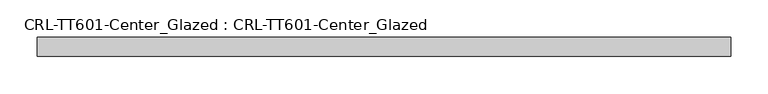
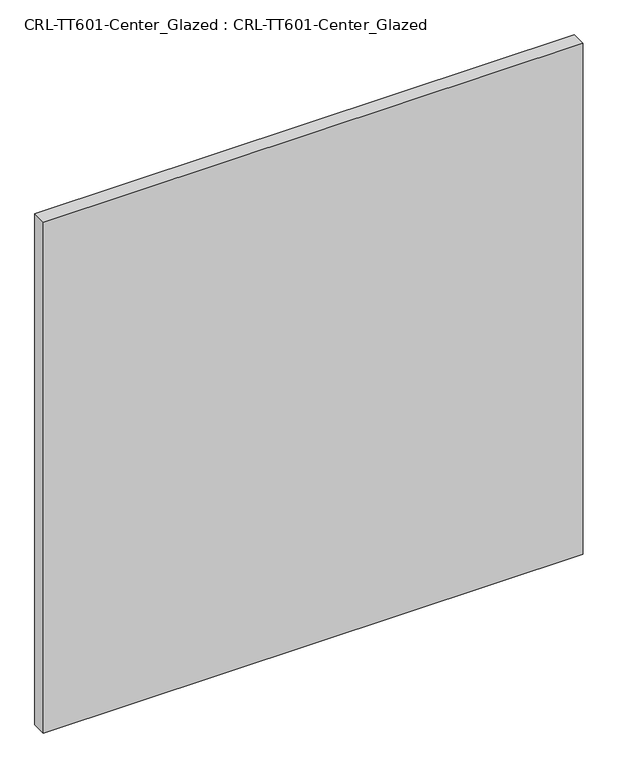
"""IFC4 building model written with IfcOpenShell, lengths in millimetres: plate geometry, CRL-TT601-Center_Glazed : CRL-TT601-Center_Glazed."""

from ifc_helpers import new_model, si_unit, origin, origin_with_axes, place, context, project, spatial, polyline, outline, extrude, source, transform, mapped, element, save


def crl_tt601_center_glazed_crl_tt601_center_glazed_00a6eaa4(model_context):
    return source(origin(), model_context, "Body", "SweptSolid", [
        extrude(outline(polyline([(-463.5537716, -12.7254), (-463.5537716, 12.6746), (463.5537716, 12.6746), (463.5537716, -12.7254), (-463.5537716, -12.7254)])), origin_with_axes(), (0.0, 0.0, 1.0), 927.244537),
    ])


if __name__ == "__main__":
    model = new_model("IFC4")
    model_context = context("Model", 3, world=origin())
    ifc_project = project(units=[si_unit("LENGTHUNIT", "METRE", prefix="MILLI")], contexts=[model_context])
    site = spatial("IfcSite", under=ifc_project)
    building = spatial("IfcBuilding", under=site)
    placement = place(None, origin())
    crl_tt601_center_glazed_crl_tt601_center_glazed_shape = crl_tt601_center_glazed_crl_tt601_center_glazed_00a6eaa4(model_context)
    element("IfcPlate", 1, ObjectType="CRL-TT601-Center_Glazed : CRL-TT601-Center_Glazed", at=placement, inside=building, context=model_context, shape_type="MappedRepresentation", body=[
        mapped(crl_tt601_center_glazed_crl_tt601_center_glazed_shape, transform((0.0, 0.0, 0.0), x_axis=(1.0, 0.0, 0.0), y_axis=(0.0, 1.0, 0.0), z_axis=(0.0, 0.0, 1.0))),
    ])
    save(model, "model.ifc")
